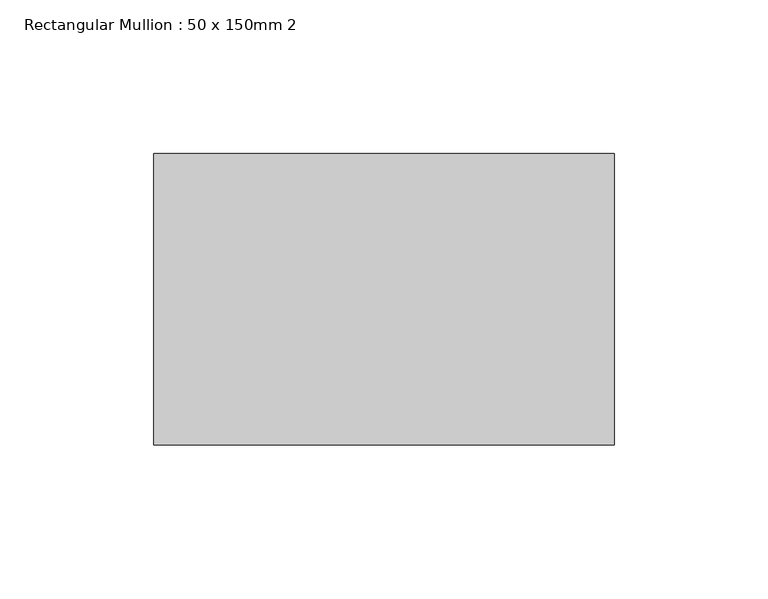
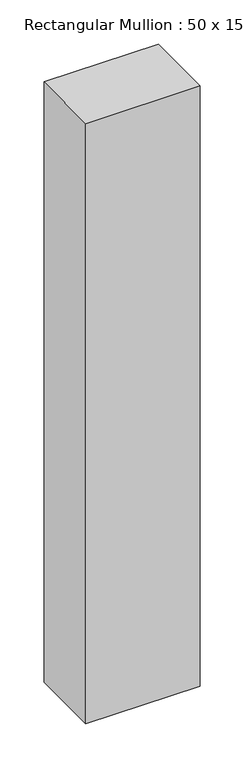
"""IFC4 building model written with IfcOpenShell, lengths in millimetres: member geometry, Rectangular Mullion : 50 x 150mm 2."""

from ifc_helpers import new_model, si_unit, frame, origin, place, context, project, spatial, polyline, outline, extrude, source, transform, mapped, element, save


def rectangular_mullion_50_x_150mm_2_db67771f(model_context):
    return source(origin(), model_context, "Body", "SweptSolid", [
        extrude(outline(polyline([(0.0, 47.5), (0.0, -47.5), (-150.0, -47.5), (-150.0, 47.5), (0.0, 47.5)])), frame((0.0, 0.0, -831.7175408), z_axis=(0.0, 0.0, 1.0), x_axis=(1.0, 0.0, 0.0)), (0.0, 0.0, 1.0), 831.7175408),
    ])


if __name__ == "__main__":
    model = new_model("IFC4")
    model_context = context("Model", 3, world=origin())
    ifc_project = project(units=[si_unit("LENGTHUNIT", "METRE", prefix="MILLI")], contexts=[model_context])
    site = spatial("IfcSite", under=ifc_project)
    building = spatial("IfcBuilding", under=site)
    placement = place(None, origin())
    rectangular_mullion_50_x_150mm_2_shape = rectangular_mullion_50_x_150mm_2_db67771f(model_context)
    element("IfcMember", 1, ObjectType="Rectangular Mullion : 50 x 150mm 2", at=placement, inside=building, context=model_context, shape_type="MappedRepresentation", body=[
        mapped(rectangular_mullion_50_x_150mm_2_shape, transform((0.0, 0.0, 0.0), x_axis=(1.0, 0.0, 0.0), y_axis=(0.0, 1.0, 0.0), z_axis=(0.0, 0.0, 1.0))),
    ])
    save(model, "model.ifc")
